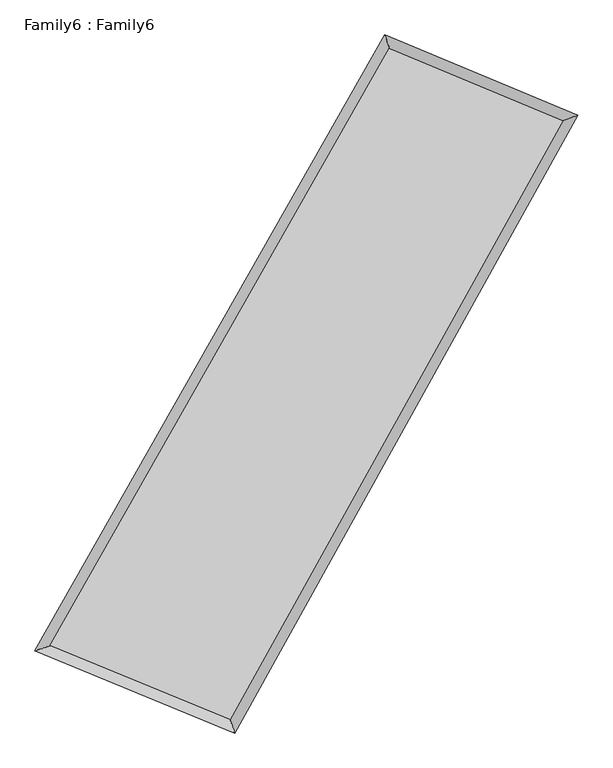
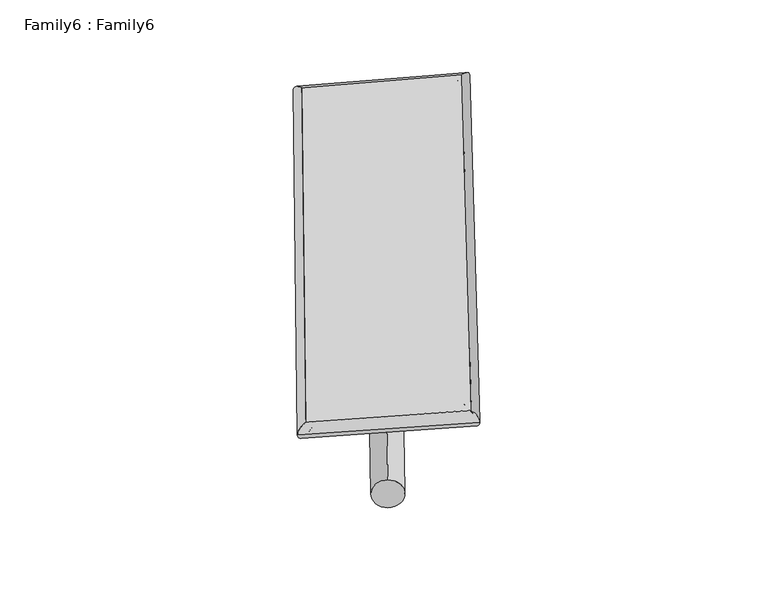
"""IFC4 building model written with IfcOpenShell, lengths in millimetres: plate geometry, Family6 : Family6."""

from ifc_helpers import new_model, si_unit, point, frame, origin, origin_2d, place, context, project, spatial, circle_curve, ellipse_curve, trimmed, segment, composite_curve, outline, extrude, source, transform, mapped, element, save
from ifc_brep_helpers import plane_surface, cylinder_surface, spline_surface, advanced_brep


def family6_family6_ccbe6ef7(model_context):
    return source(origin(), model_context, "Body", "SolidModel", [
        extrude(outline(composite_curve([segment(trimmed(circle_curve(origin_2d(), 76.2), [point((-75.4341514, -10.7763074))], [point((75.4341514, 10.7763074))], False, "CARTESIAN"), True, "CONTINUOUS"), segment(trimmed(circle_curve(origin_2d(), 76.2), [point((75.4341514, 10.7763074))], [point((-75.4341514, -10.7763074))], False, "CARTESIAN"), True, "CONTINUOUS")], self_intersect=False)), frame((9144.0, 9144.0, 0.0), z_axis=(0.6719421658411079, 0.6919384229944623, 0.26403587738922485), x_axis=(-0.6829230595110147, 0.7168341010546357, -0.14058793103715336)), (0.0, 0.0, 1.0), 5822.6713911),
        extrude(outline(composite_curve([segment(trimmed(circle_curve(origin_2d(), 76.2), [point((-53.8815367, 53.8815367))], [point((53.8815367, -53.8815367))], False, "CARTESIAN"), True, "CONTINUOUS"), segment(trimmed(circle_curve(origin_2d(), 76.2), [point((53.8815367, -53.8815367))], [point((-53.8815367, 53.8815367))], False, "CARTESIAN"), True, "CONTINUOUS")], self_intersect=False)), frame((9144.0, 9144.0, 0.0), z_axis=(-0.6777327289421515, -0.686732673307001, 0.2628242445689591), x_axis=(0.6345621432449747, -0.36565277720619405, 0.6809030275169452)), (0.0, 0.0, 1.0), 5848.7877449),
        extrude(outline(composite_curve([segment(trimmed(circle_curve(origin_2d(), 76.2), [point((-53.8815367, -53.8815367))], [point((53.8815367, 53.8815367))], False, "CARTESIAN"), True, "CONTINUOUS"), segment(trimmed(circle_curve(origin_2d(), 76.2), [point((53.8815367, 53.8815367))], [point((-53.8815367, -53.8815367))], False, "CARTESIAN"), True, "CONTINUOUS")], self_intersect=False)), frame((9144.0, 9144.0, 0.0), z_axis=(0.22530655838058472, 0.9348736981965141, 0.27431391355720447), x_axis=(-0.8485459615316667, 0.3266425611585699, -0.41626240330838105)), (0.0, 0.0, 1.0), 5501.3857325),
        extrude(outline(composite_curve([segment(trimmed(circle_curve(origin_2d(), 76.2), [point((-75.4341515, 10.7763073))], [point((75.4341515, -10.7763073))], False, "CARTESIAN"), True, "CONTINUOUS"), segment(trimmed(circle_curve(origin_2d(), 76.2), [point((75.4341515, -10.7763073))], [point((-75.4341515, 10.7763073))], False, "CARTESIAN"), True, "CONTINUOUS")], self_intersect=False)), frame((9144.0, 9144.0, 0.0), z_axis=(-0.21634041853616398, -0.9369901142422778, 0.2743106799230398), x_axis=(0.894363303142077, -0.0775171480450751, 0.4405739140618192)), (0.0, 0.0, 1.0), 5503.2548878),
        advanced_brep(
        [(4962.1406327, 5052.298722, 1535.387677), (4962.1180301, 5052.2689922, 1539.5805146), (5398.0296086, 5202.5939907, 1539.0187644), (10449.3647791, 14094.543044, 1511.7433608), (10317.6317923, 14479.6586059, 1506.4699398), (5398.0522112, 5202.6237205, 1534.8259268), (12840.4616376, 13097.8763487, 1537.0475684), (13272.5352135, 13247.9837713, 1537.7407306), (7886.0163763, 4179.9810128, 1510.0644813), (8020.8306922, 3795.0281352, 1509.1386988)],
        [
            (0, 1, ellipse_curve(frame((5180.0851206, 5127.4463563, 1537.2032207), z_axis=(-0.32600166363575894, 0.9453562580727801, 0.00494576883291553), x_axis=(-0.9453254903755366, -0.32603243583316466, 0.007909995634925537)), 230.5804307, 152.4)),
            (1, 2, ellipse_curve(frame((5180.0851206, 5127.4463563, 1537.2032207), z_axis=(-0.32600166363575894, 0.9453562580727801, 0.00494576883291553), x_axis=(-0.9453254903755366, -0.32603243583316466, 0.007909995634925537)), 230.5804307, 152.4)),
            (2, 3),
            (3, 4, ellipse_curve(frame((10383.4982857, 14287.100825, 1509.1066503), z_axis=(-0.946146312654018, -0.3237046101699587, -0.004741350642992741), x_axis=(0.3236519256842695, -0.9461297170545067, 0.009380272236087452)), 203.529509, 152.4)),
            (4, 0),
            (2, 5, ellipse_curve(frame((5180.0851206, 5127.4463563, 1537.2032207), z_axis=(-0.32600166363575894, 0.9453562580727801, 0.00494576883291553), x_axis=(-0.9453254903755366, -0.32603243583316466, 0.007909995634925537)), 230.5804307, 152.4)),
            (5, 0, ellipse_curve(frame((5180.0851206, 5127.4463563, 1537.2032207), z_axis=(-0.32600166363575894, 0.9453562580727801, 0.00494576883291553), x_axis=(-0.9453254903755366, -0.32603243583316466, 0.007909995634925537)), 230.5804307, 152.4)),
            (4, 3, ellipse_curve(frame((10383.4982857, 14287.100825, 1509.1066503), z_axis=(-0.946146312654018, -0.3237046101699587, -0.004741350642992741), x_axis=(0.3236519256842695, -0.9461297170545067, 0.009380272236087452)), 203.529509, 152.4)),
            (3, 6),
            (6, 7, ellipse_curve(frame((13056.4984256, 13172.93006, 1537.3941495), z_axis=(-0.3281590872128123, 0.9446073518065226, -0.0053445666543092555), x_axis=(-0.9445735218725575, -0.3281944282327484, -0.00832340400631475)), 228.7096613, 152.4)),
            (7, 4),
            (7, 6, ellipse_curve(frame((13056.4984256, 13172.93006, 1537.3941495), z_axis=(-0.3281590872128123, 0.9446073518065226, -0.0053445666543092555), x_axis=(-0.9445735218725575, -0.3281944282327484, -0.00832340400631475)), 228.7096613, 152.4)),
            (6, 8),
            (8, 9, ellipse_curve(frame((7953.4235343, 3987.504574, 1509.6015901), z_axis=(0.9437841808176954, 0.33053313699661163, -0.004389235178342166), x_axis=(-0.33048624719844477, 0.9437686925944747, 0.008916013189992592)), 203.9425694, 152.4)),
            (9, 7),
            (9, 8, ellipse_curve(frame((7953.4235343, 3987.504574, 1509.6015901), z_axis=(0.9437841808176954, 0.33053313699661163, -0.004389235178342166), x_axis=(-0.33048624719844477, 0.9437686925944747, 0.008916013189992592)), 203.9425694, 152.4)),
            (8, 5),
            (1, 9),
        ],
        [
            cylinder_surface(frame((5180.0851206, 5127.4463563, 1537.2032207), z_axis=(-0.4939404842987908, -0.8694916241906258, 0.002667101989782963), x_axis=(-0.8694173506756303, 0.49385246242780545, -0.014940404886119779)), 152.4),
            cylinder_surface(frame((10383.4982857, 14287.100825, 1509.1066503), z_axis=(-0.9229813052215032, 0.3847208129707453, -0.009767613768946994), x_axis=(0.3848027911870002, 0.9229582324963888, -0.008655227428318514)), 152.4),
            cylinder_surface(frame((13056.4984256, 13172.93006, 1537.3941495), z_axis=(0.48564564904953533, 0.8741517647655126, 0.0026449416998314277), x_axis=(0.8741554975030246, -0.48564564904953533, -0.0006853790886425463)), 152.4),
            cylinder_surface(frame((7953.4235343, 3987.504574, 1509.6015901), z_axis=(0.9248760444620251, -0.38015730116450985, -0.009204822192436976), x_axis=(-0.3801245402529967, -0.9249209876047257, 0.005147871962928649)), 152.4),
        ],
        [
            (0, [[1, 2, 3, 4, 5]]),
            (0, [[6, 7, -5, 8, -3]]),
            (1, [[-4, 9, 10, 11]]),
            (1, [[-8, -11, 12, -9]]),
            (2, [[-10, 13, 14, 15]]),
            (2, [[-12, -15, 16, -13]]),
            (3, [[-14, 17, -6, -2, 18]]),
            (3, [[-16, -18, -1, -7, -17]]),
        ],
    ),
        extrude(outline(composite_curve([segment(trimmed(circle_curve(origin_2d(), 304.8), [point((0.0, -304.8))], [point((0.0, 304.8))], False, "CARTESIAN"), True, "CONTINUOUS"), segment(trimmed(circle_curve(origin_2d(), 304.8), [point((0.0, 304.8))], [point((0.0, -304.8))], False, "CARTESIAN"), True, "CONTINUOUS")], self_intersect=False)), frame((6546.1752451, 4544.2969449, -0.0104907), z_axis=(0.4917692333019555, 0.8707255716778183, 1.9859003542077646e-06), x_axis=(-0.8707255716799264, 0.49176923330195543, 5.220459427017592e-07)), (0.0, 0.0, 1.0), 10565.2187203),
        advanced_brep(
        [(5180.0851206, 5127.4463563, 1537.2032207), (7953.4235343, 3987.504574, 1509.6015901), (7953.4306213, 3987.5034415, 1662.0015899), (5180.0922076, 5127.4452239, 1689.6032205), (13056.4984256, 13172.93006, 1537.3941495), (13056.5055125, 13172.9289275, 1689.7941493), (10383.4982857, 14287.100825, 1509.1066503), (10383.5053727, 14287.0996925, 1661.5066501)],
        [
            (0, 1),
            (1, 2),
            (2, 3),
            (3, 0),
            (1, 4),
            (4, 5),
            (5, 2),
            (4, 6),
            (6, 7),
            (7, 5),
            (6, 0),
            (3, 7),
        ],
        [
            plane_surface(frame((6566.7543275, 4557.4754652, 1523.4024054), z_axis=(-0.38017331528957493, -0.9249152665109185, 1.0806032428851194e-05), x_axis=(0.9248760444620253, -0.3801573011645093, -0.009204822192436984))),
            plane_surface(frame((10504.9609799, 8580.217317, 1523.4978698), z_axis=(0.8741548784359069, -0.48564724497090345, -4.425919807331843e-05), x_axis=(0.48564564904953483, 0.8741517647655129, 0.002644941699831425))),
            plane_surface(frame((11719.9983556, 13730.0154425, 1523.2503999), z_axis=(0.38473926612139636, 0.9230252959603304, -1.1032404799007044e-05), x_axis=(-0.9229813052215033, 0.3847208129707449, -0.009767613768946993))),
            plane_surface(frame((7781.7917032, 9707.2735906, 1523.1549355), z_axis=(-0.8694946577939434, 0.49394234291323885, 4.41041264219687e-05), x_axis=(-0.4939404842987908, -0.8694916241906258, 0.0026671019897829633))),
            spline_surface(1, 1, [[(7953.4306213, 3987.5034415, 1662.0015899), (5180.0922076, 5127.4452239, 1689.6032205)], [(13056.5055125, 13172.9289275, 1689.7941493), (10383.5053727, 14287.0996925, 1661.5066501)]], [2, 2], [2, 2], [0.0, 1.0], [0.0, 1.0]),
            spline_surface(1, 1, [[(10383.4982857, 14287.100825, 1509.1066503), (5180.0851206, 5127.4463563, 1537.2032207)], [(13056.4984256, 13172.93006, 1537.3941495), (7953.4235343, 3987.504574, 1509.6015901)]], [2, 2], [2, 2], [0.0, 1.0], [0.0, 1.0]),
        ],
        [
            (0, [[1, 2, 3, 4]]),
            (1, [[5, 6, 7, -2]]),
            (2, [[8, 9, 10, -6]]),
            (3, [[11, -4, 12, -9]]),
            (4, [[-3, -7, -10, -12]]),
            (5, [[-11, -8, -5, -1]]),
        ],
    ),
    ])


if __name__ == "__main__":
    model = new_model("IFC4")
    model_context = context("Model", 3, world=origin())
    ifc_project = project(units=[si_unit("LENGTHUNIT", "METRE", prefix="MILLI")], contexts=[model_context])
    site = spatial("IfcSite", under=ifc_project)
    building = spatial("IfcBuilding", under=site)
    placement = place(None, origin())
    family6_family6_shape = family6_family6_ccbe6ef7(model_context)
    element("IfcPlate", 1, ObjectType="Family6 : Family6", at=placement, inside=building, context=model_context, shape_type="MappedRepresentation", body=[
        mapped(family6_family6_shape, transform((0.0, 0.0, 0.0), x_axis=(1.0, 0.0, 0.0), y_axis=(0.0, 1.0, 0.0), z_axis=(0.0, 0.0, 1.0))),
    ])
    save(model, "model.ifc")
